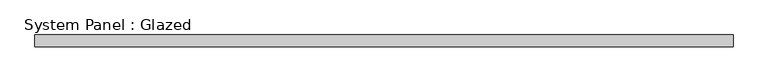
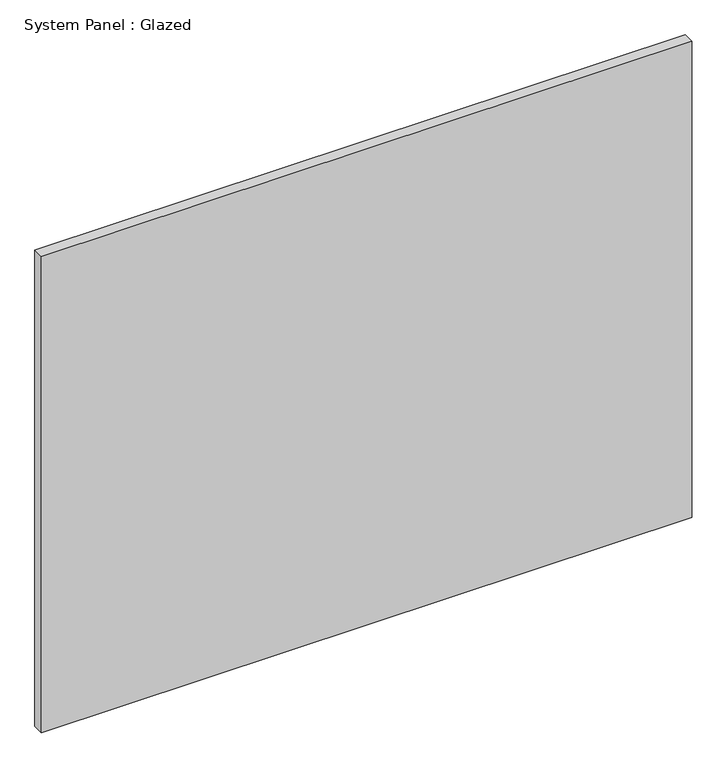
"""IFC4 building model written with IfcOpenShell, lengths in millimetres: plate geometry, System Panel : Glazed."""

from ifc_helpers import new_model, si_unit, origin, origin_with_axes, place, context, project, spatial, polyline, outline, extrude, source, transform, mapped, element, save


def system_panel_glazed_92aa8408(model_context):
    return source(origin(), model_context, "Body", "SweptSolid", [
        extrude(outline(polyline([(750.0, 19.05), (-750.0, 19.05), (-750.0, 44.45), (750.0, 44.45), (750.0, 19.05)])), origin_with_axes(), (0.0, 0.0, 1.0), 1161.6),
    ])


if __name__ == "__main__":
    model = new_model("IFC4")
    model_context = context("Model", 3, world=origin())
    ifc_project = project(units=[si_unit("LENGTHUNIT", "METRE", prefix="MILLI")], contexts=[model_context])
    site = spatial("IfcSite", under=ifc_project)
    building = spatial("IfcBuilding", under=site)
    placement = place(None, origin())
    system_panel_glazed_shape = system_panel_glazed_92aa8408(model_context)
    element("IfcPlate", 1, ObjectType="System Panel : Glazed", at=placement, inside=building, context=model_context, shape_type="MappedRepresentation", body=[
        mapped(system_panel_glazed_shape, transform((0.0, 0.0, 0.0), x_axis=(1.0, 0.0, 0.0), y_axis=(0.0, 1.0, 0.0), z_axis=(0.0, 0.0, 1.0))),
    ])
    save(model, "model.ifc")
